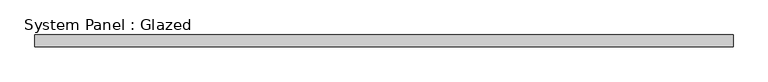
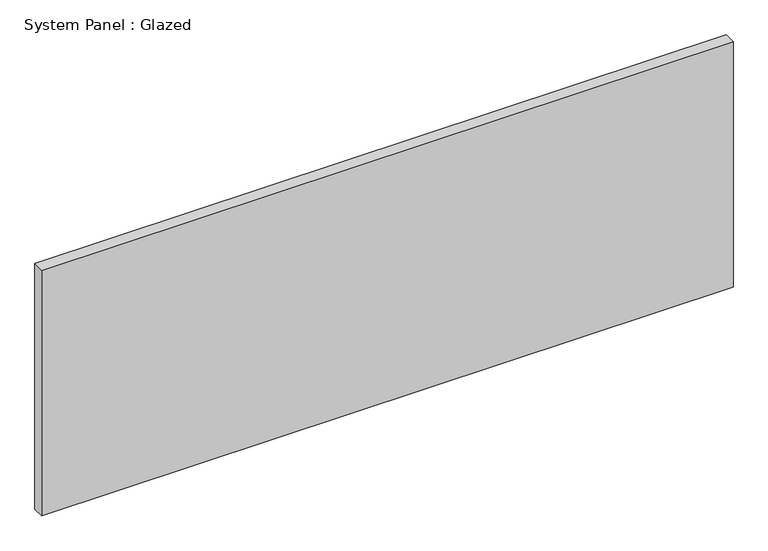
"""IFC4 building model written with IfcOpenShell, lengths in millimetres: plate geometry, System Panel : Glazed."""

from ifc_helpers import new_model, si_unit, origin, origin_with_axes, place, context, project, spatial, polyline, outline, extrude, source, transform, mapped, element, save


def system_panel_glazed_181af00e(model_context):
    return source(origin(), model_context, "Body", "SweptSolid", [
        extrude(outline(polyline([(744.2501096, 24.5), (-744.2501096, 24.5), (-744.2501096, 49.5), (744.2501096, 49.5), (744.2501096, 24.5)])), origin_with_axes(), (0.0, 0.0, 1.0), 559.6),
    ])


if __name__ == "__main__":
    model = new_model("IFC4")
    model_context = context("Model", 3, world=origin())
    ifc_project = project(units=[si_unit("LENGTHUNIT", "METRE", prefix="MILLI")], contexts=[model_context])
    site = spatial("IfcSite", under=ifc_project)
    building = spatial("IfcBuilding", under=site)
    placement = place(None, origin())
    system_panel_glazed_shape = system_panel_glazed_181af00e(model_context)
    element("IfcPlate", 1, ObjectType="System Panel : Glazed", at=placement, inside=building, context=model_context, shape_type="MappedRepresentation", body=[
        mapped(system_panel_glazed_shape, transform((0.0, 0.0, 0.0), x_axis=(1.0, 0.0, 0.0), y_axis=(0.0, 1.0, 0.0), z_axis=(0.0, 0.0, 1.0))),
    ])
    save(model, "model.ifc")
